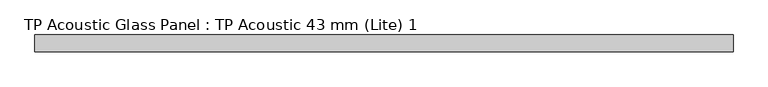
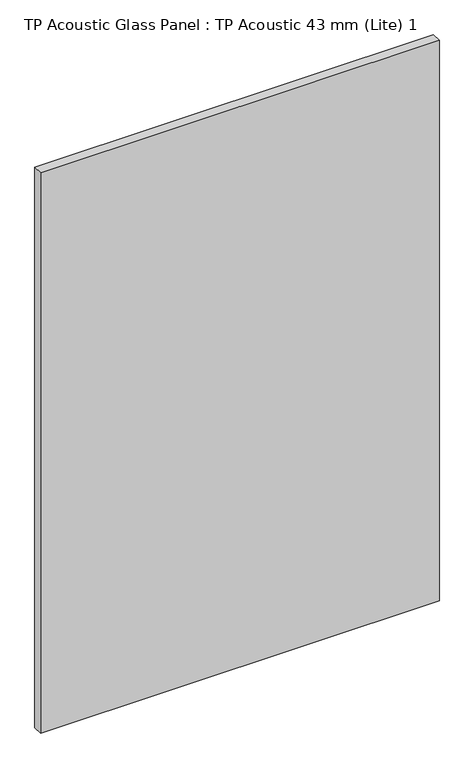
"""IFC4 building model written with IfcOpenShell, lengths in millimetres: plate geometry, TP Acoustic Glass Panel : TP Acoustic 43 mm (Lite) 1."""

from ifc_helpers import new_model, si_unit, origin, origin_with_axes, place, context, project, spatial, polyline, outline, extrude, source, transform, mapped, element, save


def tp_acoustic_glass_panel_tp_acoustic_43_mm_lite_1_b0ce5513(model_context):
    return source(origin(), model_context, "Body", "SweptSolid", [
        extrude(outline(polyline([(885.0, -21.5), (-885.0, -21.5), (-885.0, 21.5), (885.0, 21.5), (885.0, -21.5)])), origin_with_axes(), (0.0, 0.0, 1.0), 2628.0),
    ])


if __name__ == "__main__":
    model = new_model("IFC4")
    model_context = context("Model", 3, world=origin())
    ifc_project = project(units=[si_unit("LENGTHUNIT", "METRE", prefix="MILLI")], contexts=[model_context])
    site = spatial("IfcSite", under=ifc_project)
    building = spatial("IfcBuilding", under=site)
    placement = place(None, origin())
    tp_acoustic_glass_panel_tp_acoustic_43_mm_lite_1_shape = tp_acoustic_glass_panel_tp_acoustic_43_mm_lite_1_b0ce5513(model_context)
    element("IfcPlate", 1, ObjectType="TP Acoustic Glass Panel : TP Acoustic 43 mm (Lite) 1", at=placement, inside=building, context=model_context, shape_type="MappedRepresentation", body=[
        mapped(tp_acoustic_glass_panel_tp_acoustic_43_mm_lite_1_shape, transform((0.0, 0.0, 0.0), x_axis=(1.0, 0.0, 0.0), y_axis=(0.0, 1.0, 0.0), z_axis=(0.0, 0.0, 1.0))),
    ])
    save(model, "model.ifc")
